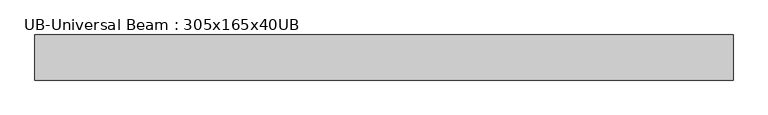
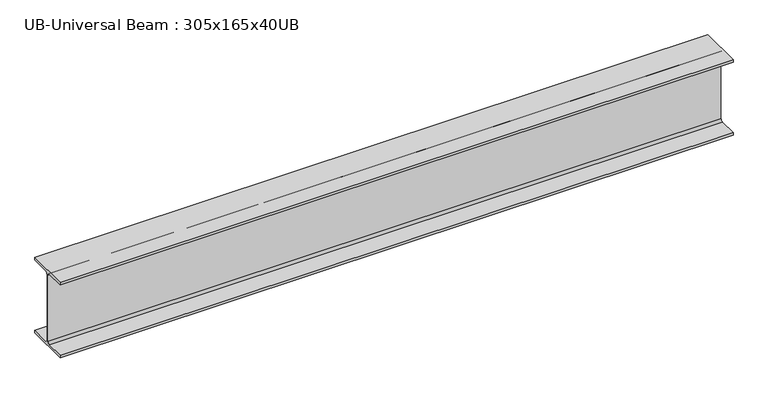
"""IFC4 building model written with IfcOpenShell, lengths in millimetres: beam geometry, UB-Universal Beam : 305x165x40UB."""

import ifcopenshell
import ifcopenshell.guid

model = None  # the IFC model being written
_history = None  # IfcOwnerHistory: only IFC2X3 demands one
_inside = {}  # id of a spatial element -> (the spatial element, [elements in it])
_under = {}  # id of a project, library or spatial element -> (it, [spatial elements below it])
_declared = {}  # id of a project -> (the project, [libraries it declares])
_typed = {}  # id of a type object -> (the type object, [elements of that type])
_made_of = {}  # id of a material, layer set ... -> (it, [elements and type objects made of it])


def new_model(schema):
    """Start an empty IFC model of exactly this schema.

    Asked for "IFC4X3", IfcOpenShell would pick the latest addendum, in which some entities
    have other attributes; the version numbers below select the first issue.
    IFC2X3 requires an IfcOwnerHistory on every rooted entity: one is made here for all.
    """
    global model, _history
    if schema == "IFC4X3":
        model = ifcopenshell.file(schema_version=(4, 3, 0, 0))
    else:
        model = ifcopenshell.file(schema=schema)
    _inside.clear()
    _under.clear()
    _declared.clear()
    _typed.clear()
    _made_of.clear()
    _history = None
    if model.schema == "IFC2X3":
        org = make("IfcOrganization", Name="unknown")
        user = make(
            "IfcPersonAndOrganization",
            ThePerson=make("IfcPerson", FamilyName="unknown"),
            TheOrganization=org,
        )
        app = make(
            "IfcApplication",
            ApplicationDeveloper=org,
            Version="unknown",
            ApplicationFullName="unknown",
            ApplicationIdentifier="unknown",
        )
        _history = make(
            "IfcOwnerHistory",
            OwningUser=user,
            OwningApplication=app,
            ChangeAction="ADDED",
            CreationDate=0,
        )
    return model


def make(cls, **values):
    """One entity of the class cls with the attributes given. An attribute that is None is left unset."""
    return model.create_entity(
        cls, **{name: value for name, value in values.items() if value is not None}
    )


def rooted(cls, **values):
    """An entity with a GlobalId (a new one), such as an element, a storey or a relation."""
    return make(cls, GlobalId=ifcopenshell.guid.new(), OwnerHistory=_history, **values)


def si_unit(unit_type, name, prefix=None):
    """IfcSIUnit, for example si_unit("LENGTHUNIT", "METRE", prefix="MILLI")."""
    return make("IfcSIUnit", UnitType=unit_type, Prefix=prefix, Name=name)


def assignment(units):
    """IfcUnitAssignment: the units of a project."""
    return None if units is None else make("IfcUnitAssignment", Units=units)


def point(xyz):
    """IfcCartesianPoint."""
    return None if xyz is None else make("IfcCartesianPoint", Coordinates=xyz)


def direction(xyz):
    """IfcDirection."""
    return None if xyz is None else make("IfcDirection", DirectionRatios=xyz)


def frame(location, z_axis=None, x_axis=None):
    """IfcAxis2Placement3D, a coordinate frame: its origin and axes. An axis left out is left unset."""
    return make(
        "IfcAxis2Placement3D",
        Location=point(location),
        Axis=direction(z_axis),
        RefDirection=direction(x_axis),
    )


def frame_2d(location, x_axis=None):
    """IfcAxis2Placement2D, a coordinate frame in the plane: its origin and x axis."""
    return make(
        "IfcAxis2Placement2D", Location=point(location), RefDirection=direction(x_axis)
    )


def origin():
    """The frame at (0, 0, 0) with its axes left unset."""
    return frame((0.0, 0.0, 0.0))


def place(relative_to, where):
    """IfcLocalPlacement: puts the frame where relative to a parent placement (None: the world)."""
    return make(
        "IfcLocalPlacement", PlacementRelTo=relative_to, RelativePlacement=where
    )


def context(
    kind, dimensions, precision=None, world=None, true_north=None, identifier=None
):
    """IfcGeometricRepresentationContext, for example the 3D "Model" context."""
    return make(
        "IfcGeometricRepresentationContext",
        ContextIdentifier=identifier,
        ContextType=kind,
        CoordinateSpaceDimension=dimensions,
        Precision=precision,
        WorldCoordinateSystem=world,
        TrueNorth=true_north,
    )


def project(units=None, contexts=None):
    """IfcProject with its units and contexts."""
    return rooted(
        "IfcProject",
        Name="project",
        RepresentationContexts=contexts,
        UnitsInContext=assignment(units),
    )


def spatial(cls, under=None, at=None, **own):
    """A site, building, storey or space (cls), placed at a placement, below another one or the project."""
    s = rooted(cls, ObjectPlacement=at, **own)
    if under is not None:
        _under.setdefault(under.id(), (under, []))[1].append(s)
    return s


def polyline(points):
    """IfcPolyline through the points."""
    return make("IfcPolyline", Points=[point(p) for p in points])


def circle_curve(where, radius):
    """IfcCircle in the frame where."""
    return make("IfcCircle", Position=where, Radius=radius)


def trimmed(basis, trim1, trim2, sense, master):
    """IfcTrimmedCurve: the piece of a basis curve between two trims."""
    return make(
        "IfcTrimmedCurve",
        BasisCurve=basis,
        Trim1=trim1,
        Trim2=trim2,
        SenseAgreement=sense,
        MasterRepresentation=master,
    )


def segment(curve, same_sense, transition):
    """IfcCompositeCurveSegment."""
    return make(
        "IfcCompositeCurveSegment",
        Transition=transition,
        SameSense=same_sense,
        ParentCurve=curve,
    )


def composite_curve(segments, self_intersect=None):
    """IfcCompositeCurve: segments joined end to end."""
    return make("IfcCompositeCurve", Segments=segments, SelfIntersect=self_intersect)


def outline(outer, holes=None, kind="AREA"):
    """IfcArbitraryClosedProfileDef: a profile drawn as a closed curve; with holes, ...WithVoids."""
    if holes is None:
        return make("IfcArbitraryClosedProfileDef", ProfileType=kind, OuterCurve=outer)
    return make(
        "IfcArbitraryProfileDefWithVoids",
        ProfileType=kind,
        OuterCurve=outer,
        InnerCurves=holes,
    )


def extrude(swept, where, along, depth):
    """IfcExtrudedAreaSolid: the profile swept, set in the frame where, extruded along a direction by depth."""
    return make(
        "IfcExtrudedAreaSolid",
        SweptArea=swept,
        Position=where,
        ExtrudedDirection=direction(along),
        Depth=depth,
    )


def shape(context_of_items, identifier, shape_type, items):
    """IfcShapeRepresentation: the items that make up one representation, for example the "Body"."""
    return make(
        "IfcShapeRepresentation",
        ContextOfItems=context_of_items,
        RepresentationIdentifier=identifier,
        RepresentationType=shape_type,
        Items=items,
    )


def source(mapping_origin, context_of_items, identifier, shape_type, items):
    """IfcRepresentationMap: a shape defined once, which mapped items show again and again."""
    return make(
        "IfcRepresentationMap",
        MappingOrigin=mapping_origin,
        MappedRepresentation=shape(context_of_items, identifier, shape_type, items),
    )


def transform(
    local_origin,
    x_axis=None,
    y_axis=None,
    z_axis=None,
    scale=None,
    scale2=None,
    scale3=None,
    uniform=True,
):
    """IfcCartesianTransformationOperator3D, or its non-uniform kind. x_axis, y_axis, z_axis: its Axis1, 2, 3."""
    if uniform:
        return make(
            "IfcCartesianTransformationOperator3D",
            Axis1=direction(x_axis),
            Axis2=direction(y_axis),
            LocalOrigin=point(local_origin),
            Scale=scale,
            Axis3=direction(z_axis),
        )
    return make(
        "IfcCartesianTransformationOperator3DnonUniform",
        Axis1=direction(x_axis),
        Axis2=direction(y_axis),
        LocalOrigin=point(local_origin),
        Scale=scale,
        Axis3=direction(z_axis),
        Scale2=scale2,
        Scale3=scale3,
    )


def mapped(mapping_source, mapping_target):
    """IfcMappedItem: shows the shape of a source again, moved by a transform."""
    return make(
        "IfcMappedItem", MappingSource=mapping_source, MappingTarget=mapping_target
    )


def made_of(thing, what):
    """Note that an element or type object is made of a material, layer set ...; save() writes the relation."""
    if what is not None:
        _made_of.setdefault(what.id(), (what, []))[1].append(thing)
    return thing


def element(
    cls,
    number,
    at=None,
    inside=None,
    cuts=None,
    type_object=None,
    material=None,
    context=None,
    identifier="Body",
    shape_type=None,
    held_by="IfcProductDefinitionShape",
    body=None,
    shapes=None,
    **own,
):
    """One element of the class cls, such as IfcWall. Its Tag is "e" and its number.

    at: its placement. inside: the storey or other place that contains it. cuts: it is an
    opening in that element (IfcRelVoidsElement). A single representation is given by context,
    identifier, shape_type and body (its items); several are given by shapes. held_by: the class
    of the entity that holds the representations. save() writes the other relations.
    """
    e = rooted(cls, Tag="e%d" % number, ObjectPlacement=at, **own)
    if body is not None:
        shapes = [shape(context, identifier, shape_type, body)]
    if shapes is not None:
        e.Representation = make(held_by, Representations=shapes)
    if inside is not None:
        _inside.setdefault(inside.id(), (inside, []))[1].append(e)
    if cuts is not None:
        rooted(
            "IfcRelVoidsElement", RelatingBuildingElement=cuts, RelatedOpeningElement=e
        )
    if type_object is not None:
        _typed.setdefault(type_object.id(), (type_object, []))[1].append(e)
    return made_of(e, material)


def aggregate(whole, parts):
    """IfcRelAggregates: a whole, such as a stair, and the parts it consists of."""
    return rooted("IfcRelAggregates", RelatingObject=whole, RelatedObjects=parts)


def save(model, path):
    """Write the relations noted so far, then the file.

    IfcRelAggregates (storeys below a building ...), IfcRelContainedInSpatialStructure (elements
    in a storey), IfcRelDefinesByType, IfcRelAssociatesMaterial and IfcRelDeclares: one each for
    every whole, place, type object, material and project.
    """
    for whole, parts in _under.values():
        aggregate(whole, parts)
    for where, things in _inside.values():
        rooted(
            "IfcRelContainedInSpatialStructure",
            RelatedElements=things,
            RelatingStructure=where,
        )
    for kind, things in _typed.values():
        rooted("IfcRelDefinesByType", RelatedObjects=things, RelatingType=kind)
    for what, things in _made_of.values():
        rooted("IfcRelAssociatesMaterial", RelatedObjects=things, RelatingMaterial=what)
    for by, libraries in _declared.values():
        rooted("IfcRelDeclares", RelatingContext=by, RelatedDefinitions=libraries)
    model.write(path)


def ub_universal_beam_305x165x40ub_1ecb7db6(model_context):
    return source(origin(), model_context, "Body", "SweptSolid", [
        extrude(outline(composite_curve([segment(polyline([(82.5, -141.5), (82.5, -151.7), (-82.5, -151.7), (-82.5, -141.5), (-11.9, -141.5)]), True, "CONTINUOUS"), segment(trimmed(circle_curve(frame_2d((-11.9, -132.6)), 8.9), [point((-11.9, -141.5))], [point((-3.0, -132.6))], True, "CARTESIAN"), True, "CONTINUOUS"), segment(polyline([(-3.0, -132.6), (-3.0, 132.6)]), True, "CONTINUOUS"), segment(trimmed(circle_curve(frame_2d((-11.9, 132.6)), 8.9), [point((-3.0, 132.6))], [point((-11.9, 141.5))], True, "CARTESIAN"), True, "CONTINUOUS"), segment(polyline([(-11.9, 141.5), (-82.5, 141.5), (-82.5, 151.7), (82.5, 151.7), (82.5, 141.5), (11.9, 141.5)]), True, "CONTINUOUS"), segment(trimmed(circle_curve(frame_2d((11.9, 132.6)), 8.9), [point((11.9, 141.5))], [point((3.0, 132.6))], True, "CARTESIAN"), True, "CONTINUOUS"), segment(polyline([(3.0, 132.6), (3.0, -132.6)]), True, "CONTINUOUS"), segment(trimmed(circle_curve(frame_2d((11.9, -132.6)), 8.9), [point((3.0, -132.6))], [point((11.9, -141.5))], True, "CARTESIAN"), True, "CONTINUOUS"), segment(polyline([(11.9, -141.5), (82.5, -141.5)]), True, "CONTINUOUS")], self_intersect=False)), frame((-1325.0, 0.0, 0.0), z_axis=(1.0, 0.0, 0.0), x_axis=(0.0, 1.0, 0.0)), (0.0, 0.0, 1.0), 2554.8),
    ])


if __name__ == "__main__":
    model = new_model("IFC4")
    model_context = context("Model", 3, world=origin())
    ifc_project = project(units=[si_unit("LENGTHUNIT", "METRE", prefix="MILLI")], contexts=[model_context])
    site = spatial("IfcSite", under=ifc_project)
    building = spatial("IfcBuilding", under=site)
    placement = place(None, origin())
    ub_universal_beam_305x165x40ub_shape = ub_universal_beam_305x165x40ub_1ecb7db6(model_context)
    element("IfcBeam", 1, ObjectType="UB-Universal Beam : 305x165x40UB", at=placement, inside=building, context=model_context, shape_type="MappedRepresentation", body=[
        mapped(ub_universal_beam_305x165x40ub_shape, transform((0.0, 0.0, 0.0), x_axis=(1.0, 0.0, 0.0), y_axis=(0.0, 1.0, 0.0), z_axis=(0.0, 0.0, 1.0))),
    ])
    save(model, "model.ifc")
